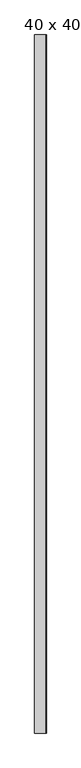
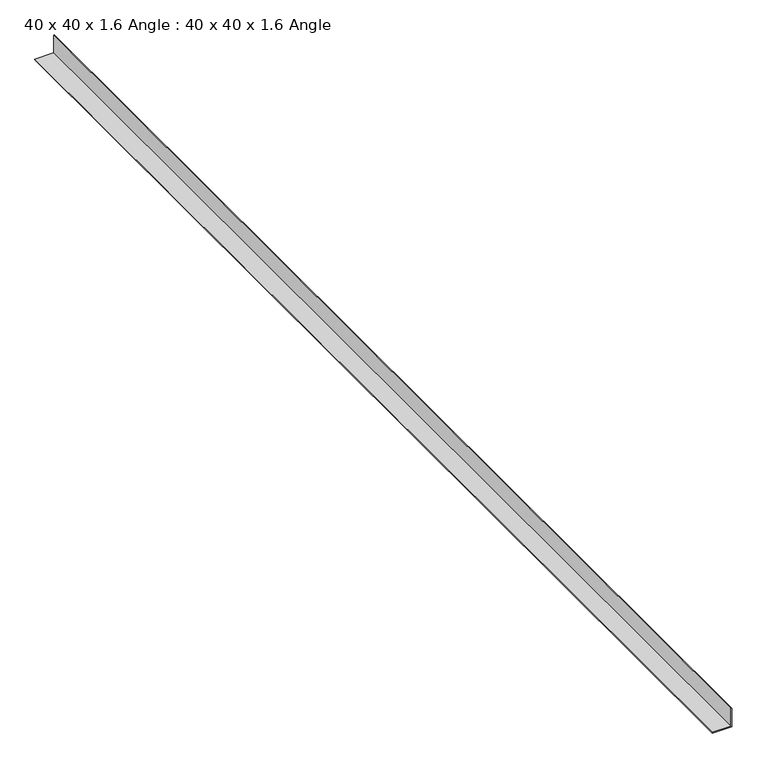
"""IFC4 building model written with IfcOpenShell, lengths in millimetres: proxy geometry, 40 x 40 x 1.6 Angle : 40 x 40 x 1.6 Angle."""

from ifc_helpers import new_model, si_unit, frame, origin, place, context, project, spatial, polyline, outline, extrude, source, transform, mapped, element, save


def proxy_40_x_40_x_1_6_angle_40_x_40_x_1_6_angle_a896ed3a(model_context):
    return source(origin(), model_context, "Body", "SweptSolid", [
        extrude(outline(polyline([(40.0, 0.0), (40.0, -1.6), (1.6, -1.6), (1.6, -40.0), (0.0, -40.0), (0.0, 0.0), (40.0, 0.0)])), frame((0.0, -700.0, 0.0), z_axis=(0.0, 1.0, 0.0), x_axis=(0.0, 0.0, 1.0)), (0.0, 0.0, 1.0), 2400.0),
    ])


if __name__ == "__main__":
    model = new_model("IFC4")
    model_context = context("Model", 3, world=origin())
    ifc_project = project(units=[si_unit("LENGTHUNIT", "METRE", prefix="MILLI")], contexts=[model_context])
    site = spatial("IfcSite", under=ifc_project)
    building = spatial("IfcBuilding", under=site)
    placement = place(None, origin())
    proxy_40_x_40_x_1_6_angle_40_x_40_x_1_6_angle_shape = proxy_40_x_40_x_1_6_angle_40_x_40_x_1_6_angle_a896ed3a(model_context)
    element("IfcBuildingElementProxy", 1, Name="40 x 40 x 1.6 Angle : 40 x 40 x 1.6 Angle", ObjectType="40 x 40 x 1.6 Angle : 40 x 40 x 1.6 Angle", at=placement, inside=building, context=model_context, shape_type="MappedRepresentation", body=[
        mapped(proxy_40_x_40_x_1_6_angle_40_x_40_x_1_6_angle_shape, transform((0.0, 0.0, 0.0), x_axis=(1.0, 0.0, 0.0), y_axis=(0.0, 1.0, 0.0), z_axis=(0.0, 0.0, 1.0))),
    ])
    save(model, "model.ifc")
